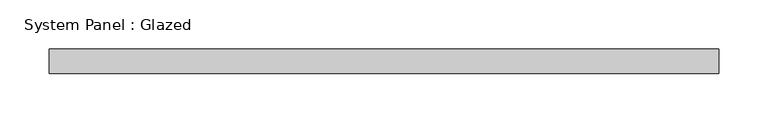
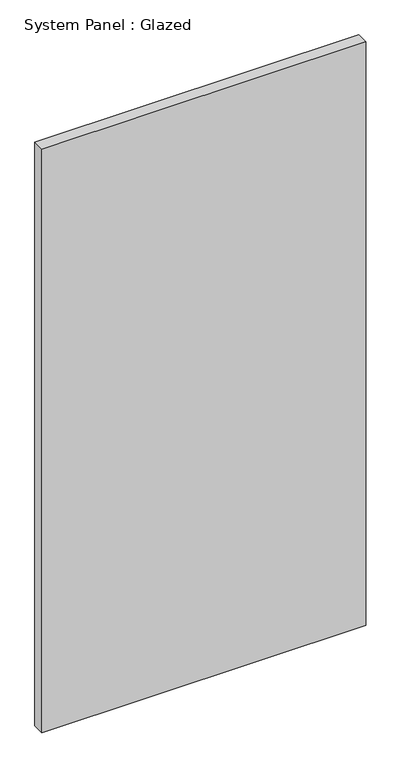
"""IFC4 building model written with IfcOpenShell, lengths in millimetres: plate geometry, System Panel : Glazed."""

from ifc_helpers import new_model, si_unit, origin, origin_with_axes, place, context, project, spatial, polyline, outline, extrude, source, transform, mapped, element, save


def system_panel_glazed_bf188c51(model_context):
    return source(origin(), model_context, "Body", "SweptSolid", [
        extrude(outline(polyline([(341.3125, -12.7), (-341.3125, -12.7), (-341.3125, 12.7), (341.3125, 12.7), (341.3125, -12.7)])), origin_with_axes(), (0.0, 0.0, 1.0), 1301.75),
    ])


if __name__ == "__main__":
    model = new_model("IFC4")
    model_context = context("Model", 3, world=origin())
    ifc_project = project(units=[si_unit("LENGTHUNIT", "METRE", prefix="MILLI")], contexts=[model_context])
    site = spatial("IfcSite", under=ifc_project)
    building = spatial("IfcBuilding", under=site)
    placement = place(None, origin())
    system_panel_glazed_shape = system_panel_glazed_bf188c51(model_context)
    element("IfcPlate", 1, ObjectType="System Panel : Glazed", at=placement, inside=building, context=model_context, shape_type="MappedRepresentation", body=[
        mapped(system_panel_glazed_shape, transform((0.0, 0.0, 0.0), x_axis=(1.0, 0.0, 0.0), y_axis=(0.0, 1.0, 0.0), z_axis=(0.0, 0.0, 1.0))),
    ])
    save(model, "model.ifc")
